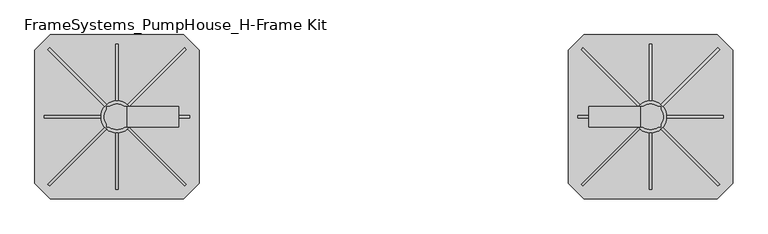
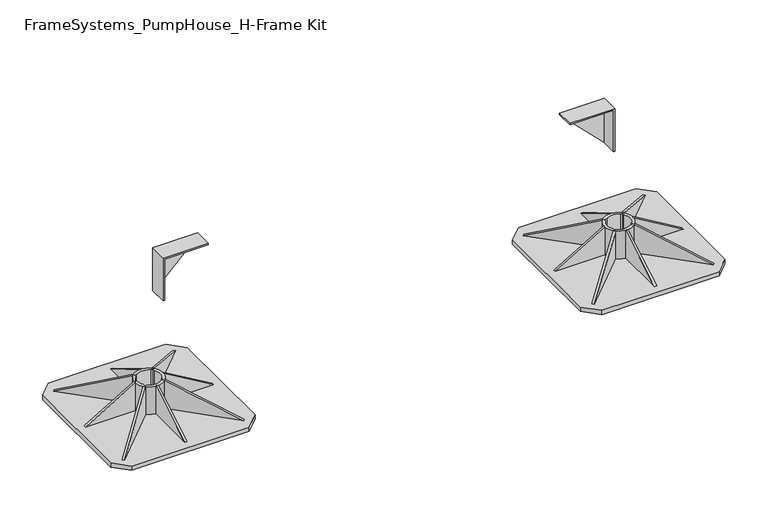
"""IFC4 building model written with IfcOpenShell, lengths in millimetres: beam geometry, FrameSystems_PumpHouse_H-Frame Kit."""

from ifc_helpers import new_model, si_unit, point, frame, frame_2d, origin, origin_with_axes, place, context, project, spatial, polyline, circle_curve, trimmed, segment, composite_curve, outline, extrude, faceted_brep, source, transform, mapped, element, save


def framesystems_pumphouse_h_frame_kit_39584cab(model_context):
    return source(origin(), model_context, "Body", "SolidModel", [
        extrude(outline(polyline([(0.0, 0.0), (-145.0593839, -60.0564328), (-169.9235121, 0.0), (0.0, 0.0)])), frame((884.9426048, 151.5218613, 10.0), z_axis=(0.7071067811865536, 0.7071067811865415, 0.0), x_axis=(-0.653327860317022, 0.6533278603170332, -0.3825250499864671)), (0.0, 0.0, 1.0), 5.0),
        extrude(outline(polyline([(0.0, 0.0), (169.9235121, 0.0), (145.0593839, -60.0564328), (0.0, 0.0)])), frame((1155.0573952, 151.5218613, 10.0), z_axis=(-0.7071067811865404, 0.7071067811865547, 0.0), x_axis=(-0.6533278603170342, -0.653327860317021, 0.38252504998646697)), (0.0, 0.0, 1.0), 5.0),
        extrude(outline(polyline([(0.0, 0.0), (-145.0593839, -60.0564328), (-169.9235121, 0.0), (0.0, 0.0)])), frame((888.4781387, -115.0573952, 10.0), z_axis=(-0.7071067811865346, 0.7071067811865607, 0.0), x_axis=(-0.6533278603170396, -0.6533278603170155, -0.3825250499864671)), (0.0, 0.0, 1.0), 5.0),
        extrude(outline(polyline([(10.0, 1161.5), (75.0, 1051.5), (10.0, 1051.5), (10.0, 1161.5)])), frame((0.0, 17.5, 0.0), z_axis=(0.0, 1.0, 0.0), x_axis=(0.0, 0.0, 1.0)), (0.0, 0.0, 1.0), 5.0),
        extrude(outline(polyline([(-121.5, 10.0), (-11.5, 75.0), (-11.5, 10.0), (-121.5, 10.0)])), frame((1017.5, 0.0, 0.0), z_axis=(1.0, 0.0, 0.0), x_axis=(0.0, 1.0, 0.0)), (0.0, 0.0, 1.0), 5.0),
        extrude(outline(polyline([(161.5, 10.0), (51.5, 10.0), (51.5, 75.0), (161.5, 10.0)])), frame((1017.5, 0.0, 0.0), z_axis=(1.0, 0.0, 0.0), x_axis=(0.0, 1.0, 0.0)), (0.0, 0.0, 1.0), 5.0),
        extrude(outline(polyline([(0.0, 0.0), (169.9235121, 0.0), (145.0593839, -60.0564328), (0.0, 0.0)])), frame((1151.5218613, -115.0573952, 10.0), z_axis=(0.7071067811865536, 0.7071067811865416, 0.0), x_axis=(-0.6533278603170221, 0.6533278603170332, 0.3825250499864671)), (0.0, 0.0, 1.0), 5.0),
        extrude(outline(polyline([(10.0, 878.5), (10.0, 988.5), (75.0, 988.5), (10.0, 878.5)])), frame((0.0, 17.5, 0.0), z_axis=(0.0, 1.0, 0.0), x_axis=(0.0, 0.0, 1.0)), (0.0, 0.0, 1.0), 5.0),
        extrude(outline(composite_curve([segment(trimmed(circle_curve(frame_2d((1020.0, 20.0)), 31.5), [point((1051.5, 20.0))], [point((988.5, 20.0))], False, "CARTESIAN"), True, "CONTINUOUS"), segment(trimmed(circle_curve(frame_2d((1020.0, 20.0)), 31.5), [point((988.5, 20.0))], [point((1051.5, 20.0))], False, "CARTESIAN"), True, "CONTINUOUS")], self_intersect=False), holes=[composite_curve([segment(polyline([(1040.0, 35.0), (1040.0, 40.0), (1035.0, 40.0)]), True, "CONTINUOUS"), segment(trimmed(circle_curve(frame_2d((1020.0, 20.0)), 25.0), [point((1035.0, 40.0))], [point((1005.0, 40.0))], True, "CARTESIAN"), True, "CONTINUOUS"), segment(polyline([(1005.0, 40.0), (1000.0, 40.0), (1000.0, 35.0)]), True, "CONTINUOUS"), segment(trimmed(circle_curve(frame_2d((1020.0, 20.0)), 25.0), [point((1000.0, 35.0))], [point((1000.0, 5.0))], True, "CARTESIAN"), True, "CONTINUOUS"), segment(polyline([(1000.0, 5.0), (1000.0, 0.0), (1005.0, 0.0)]), True, "CONTINUOUS"), segment(trimmed(circle_curve(frame_2d((1020.0, 20.0)), 25.0), [point((1005.0, 0.0))], [point((1035.0, 0.0))], True, "CARTESIAN"), True, "CONTINUOUS"), segment(polyline([(1035.0, 0.0), (1040.0, 0.0), (1040.0, 5.0)]), True, "CONTINUOUS"), segment(trimmed(circle_curve(frame_2d((1020.0, 20.0)), 25.0), [point((1040.0, 5.0))], [point((1040.0, 35.0))], True, "CARTESIAN"), True, "CONTINUOUS")], self_intersect=False)]), frame((0.0, 0.0, 10.0), z_axis=(0.0, 0.0, 1.0), x_axis=(1.0, 0.0, 0.0)), (0.0, 0.0, 1.0), 65.0),
        extrude(outline(polyline([(890.0, -140.0), (860.0, -110.0), (860.0, 150.0), (890.0, 180.0), (1150.0, 180.0), (1180.0, 150.0), (1180.0, -110.0), (1150.0, -140.0), (890.0, -140.0)])), origin_with_axes(), (0.0, 0.0, 1.0), 10.0),
        extrude(outline(polyline([(0.0, 0.0), (169.9235121, 0.0), (145.0593839, -60.0564328), (0.0, 0.0)])), frame((111.5218613, -115.0573952, 10.0), z_axis=(0.7071067811865491, 0.7071067811865459, 0.0), x_axis=(-0.653327860317026, 0.653327860317029, 0.3825250499864671)), (0.0, 0.0, 1.0), 5.0),
        extrude(outline(polyline([(0.0, 0.0), (-145.0593839, -60.0564328), (-169.9235121, 0.0), (0.0, 0.0)])), frame((-151.5218613, -115.0573952, 10.0), z_axis=(-0.7071067811865449, 0.7071067811865502, 0.0), x_axis=(-0.65332786031703, -0.653327860317025, -0.38252504998646697)), (0.0, 0.0, 1.0), 5.0),
        extrude(outline(polyline([(0.0, 0.0), (169.9235121, 0.0), (145.0593839, -60.0564328), (0.0, 0.0)])), frame((115.0573952, 151.5218613, 10.0), z_axis=(-0.707106781186539, 0.7071067811865561, 0.0), x_axis=(-0.6533278603170355, -0.6533278603170196, 0.3825250499864671)), (0.0, 0.0, 1.0), 5.0),
        extrude(outline(polyline([(10.0, -161.5), (10.0, -51.5), (75.0, -51.5), (10.0, -161.5)])), frame((0.0, 17.5, 0.0), z_axis=(0.0, 1.0, 0.0), x_axis=(0.0, 0.0, 1.0)), (0.0, 0.0, 1.0), 5.0),
        extrude(outline(polyline([(161.5, 10.0), (51.5, 10.0), (51.5, 75.0), (161.5, 10.0)])), frame((-22.5, 0.0, 0.0), z_axis=(1.0, 0.0, 0.0), x_axis=(0.0, 1.0, 0.0)), (0.0, 0.0, 1.0), 5.0),
        extrude(outline(polyline([(-121.5, 10.0), (-11.5, 75.0), (-11.5, 10.0), (-121.5, 10.0)])), frame((-22.5, 0.0, 0.0), z_axis=(1.0, 0.0, 0.0), x_axis=(0.0, 1.0, 0.0)), (0.0, 0.0, 1.0), 5.0),
        extrude(outline(polyline([(0.0, 0.0), (-145.0593839, -60.0564328), (-169.9235121, 0.0), (0.0, 0.0)])), frame((-155.0573952, 151.5218613, 10.0), z_axis=(0.7071067811865491, 0.707106781186546, 0.0), x_axis=(-0.6533278603170262, 0.653327860317029, -0.3825250499864671)), (0.0, 0.0, 1.0), 5.0),
        extrude(outline(polyline([(10.0, 121.5), (75.0, 11.5), (10.0, 11.5), (10.0, 121.5)])), frame((0.0, 17.5, 0.0), z_axis=(0.0, 1.0, 0.0), x_axis=(0.0, 0.0, 1.0)), (0.0, 0.0, 1.0), 5.0),
        extrude(outline(composite_curve([segment(trimmed(circle_curve(frame_2d((-20.0, 20.0)), 31.5), [point((-51.5, 20.0))], [point((11.5, 20.0))], False, "CARTESIAN"), True, "CONTINUOUS"), segment(trimmed(circle_curve(frame_2d((-20.0, 20.0)), 31.5), [point((11.5, 20.0))], [point((-51.5, 20.0))], False, "CARTESIAN"), True, "CONTINUOUS")], self_intersect=False), holes=[composite_curve([segment(polyline([(-40.0, 5.0), (-40.0, 0.0), (-35.0, 0.0)]), True, "CONTINUOUS"), segment(trimmed(circle_curve(frame_2d((-20.0, 20.0)), 25.0), [point((-35.0, 0.0))], [point((-5.0, 0.0))], True, "CARTESIAN"), True, "CONTINUOUS"), segment(polyline([(-5.0, 0.0), (0.0, 0.0), (0.0, 5.0)]), True, "CONTINUOUS"), segment(trimmed(circle_curve(frame_2d((-20.0, 20.0)), 25.0), [point((0.0, 5.0))], [point((0.0, 35.0))], True, "CARTESIAN"), True, "CONTINUOUS"), segment(polyline([(0.0, 35.0), (0.0, 40.0), (-5.0, 40.0)]), True, "CONTINUOUS"), segment(trimmed(circle_curve(frame_2d((-20.0, 20.0)), 25.0), [point((-5.0, 40.0))], [point((-35.0, 40.0))], True, "CARTESIAN"), True, "CONTINUOUS"), segment(polyline([(-35.0, 40.0), (-40.0, 40.0), (-40.0, 35.0)]), True, "CONTINUOUS"), segment(trimmed(circle_curve(frame_2d((-20.0, 20.0)), 25.0), [point((-40.0, 35.0))], [point((-40.0, 5.0))], True, "CARTESIAN"), True, "CONTINUOUS")], self_intersect=False)]), frame((0.0, 0.0, 10.0), z_axis=(0.0, 0.0, 1.0), x_axis=(1.0, 0.0, 0.0)), (0.0, 0.0, 1.0), 65.0),
        extrude(outline(polyline([(110.0, 180.0), (140.0, 150.0), (140.0, -110.0), (110.0, -140.0), (-150.0, -140.0), (-180.0, -110.0), (-180.0, 150.0), (-150.0, 180.0), (110.0, 180.0)])), origin_with_axes(), (0.0, 0.0, 1.0), 10.0),
        faceted_brep([(997.0, 37.0, 259.0), (997.0, 37.0, 356.0), (900.0, 37.0, 356.0), (900.0, 40.0, 359.0), (1000.0, 40.0, 359.0), (1000.0, 40.0, 259.0), (997.0, 40.0, 259.0), (900.0, 40.0, 356.0), (900.0, 0.0, 359.0), (1000.0, 0.0, 359.0), (1000.0, 0.0, 259.0), (997.0, 0.0, 259.0), (900.0, 0.0, 356.0), (997.0, 0.0, 356.0)], [[[0, 1, 2]], [[3, 4, 5, 6, 7]], [[3, 8, 9, 4]], [[9, 10, 5, 4]], [[10, 11, 0, 6, 5]], [[2, 7, 6, 0]], [[7, 2, 12, 8, 3]], [[9, 8, 12, 13, 11, 10]], [[13, 1, 0, 11]], [[12, 2, 1, 13]]]),
        faceted_brep([(3.0, 37.0, 259.0), (100.0, 37.0, 356.0), (3.0, 37.0, 356.0), (100.0, 40.0, 359.0), (100.0, 40.0, 356.0), (3.0, 40.0, 259.0), (0.0, 40.0, 259.0), (0.0, 40.0, 359.0), (0.0, 0.0, 359.0), (100.0, 0.0, 359.0), (0.0, 0.0, 259.0), (3.0, 0.0, 259.0), (100.0, 0.0, 356.0), (3.0, 0.0, 356.0)], [[[0, 1, 2]], [[3, 4, 5, 6, 7]], [[3, 7, 8, 9]], [[8, 7, 6, 10]], [[10, 6, 5, 0, 11]], [[1, 0, 5, 4]], [[4, 3, 9, 12, 1]], [[8, 10, 11, 13, 12, 9]], [[13, 11, 0, 2]], [[12, 13, 2, 1]]]),
    ])


if __name__ == "__main__":
    model = new_model("IFC4")
    model_context = context("Model", 3, world=origin())
    ifc_project = project(units=[si_unit("LENGTHUNIT", "METRE", prefix="MILLI")], contexts=[model_context])
    site = spatial("IfcSite", under=ifc_project)
    building = spatial("IfcBuilding", under=site)
    placement = place(None, origin())
    framesystems_pumphouse_h_frame_kit_shape = framesystems_pumphouse_h_frame_kit_39584cab(model_context)
    element("IfcBeam", 1, ObjectType="FrameSystems_PumpHouse_H-Frame Kit", at=placement, inside=building, context=model_context, shape_type="MappedRepresentation", body=[
        mapped(framesystems_pumphouse_h_frame_kit_shape, transform((0.0, 0.0, 0.0), x_axis=(1.0, 0.0, 0.0), y_axis=(0.0, 1.0, 0.0), z_axis=(0.0, 0.0, 1.0))),
    ])
    save(model, "model.ifc")
